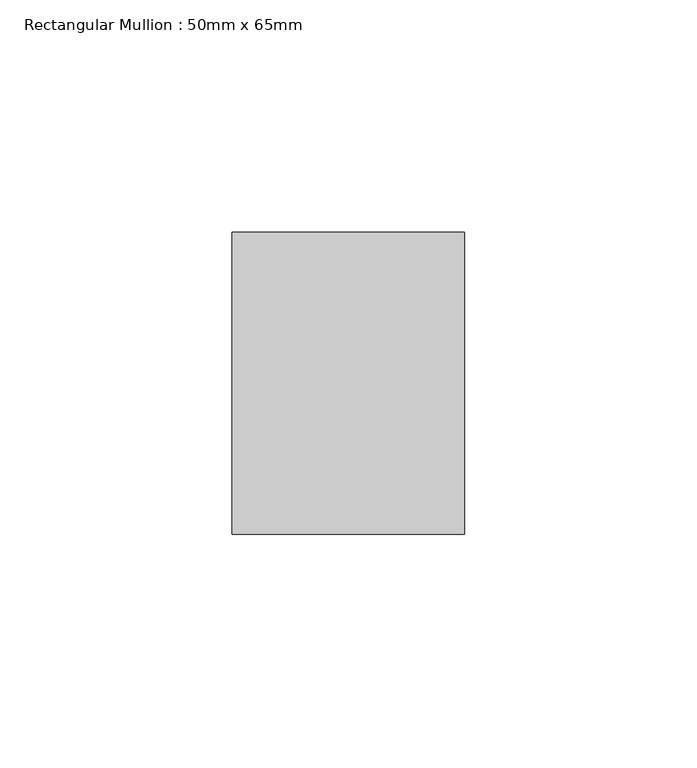
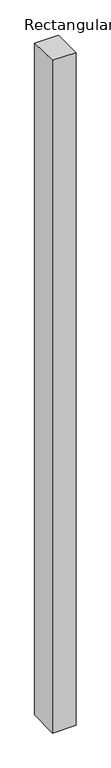
"""IFC4 building model written with IfcOpenShell, lengths in millimetres: member geometry, Rectangular Mullion : 50mm x 65mm."""

from ifc_helpers import new_model, si_unit, origin, place, context, project, spatial, faceted_brep, source, transform, mapped, element, save


def rectangular_mullion_50mm_x_65mm_8e6eb6e4(model_context):
    return source(origin(), model_context, "Body", "Brep", [
        faceted_brep([(-25.0, 32.5, -0.4518166), (25.0, 32.5, -0.4518129), (25.0, 32.5, -1499.4315913), (-25.0, 32.5, -1499.4315867), (-25.0, -32.5, 0.4518129), (-25.0, -32.5, -1500.5682263), (25.0, -32.5, 0.4518166), (25.0, -32.5, -1500.5682309)], [[[0, 1, 2, 3]], [[4, 0, 3, 5]], [[6, 4, 5, 7]], [[1, 6, 7, 2]], [[1, 0, 4, 6]], [[2, 7, 5, 3]]]),
    ])


if __name__ == "__main__":
    model = new_model("IFC4")
    model_context = context("Model", 3, world=origin())
    ifc_project = project(units=[si_unit("LENGTHUNIT", "METRE", prefix="MILLI")], contexts=[model_context])
    site = spatial("IfcSite", under=ifc_project)
    building = spatial("IfcBuilding", under=site)
    placement = place(None, origin())
    rectangular_mullion_50mm_x_65mm_shape = rectangular_mullion_50mm_x_65mm_8e6eb6e4(model_context)
    element("IfcMember", 1, ObjectType="Rectangular Mullion : 50mm x 65mm", at=placement, inside=building, context=model_context, shape_type="MappedRepresentation", body=[
        mapped(rectangular_mullion_50mm_x_65mm_shape, transform((0.0, 0.0, 0.0), x_axis=(1.0, 0.0, 0.0), y_axis=(0.0, 1.0, 0.0), z_axis=(0.0, 0.0, 1.0))),
    ])
    save(model, "model.ifc")
